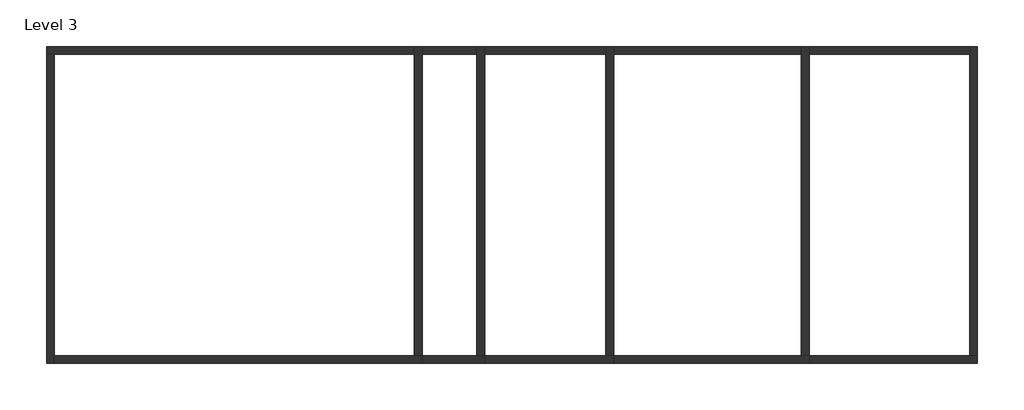
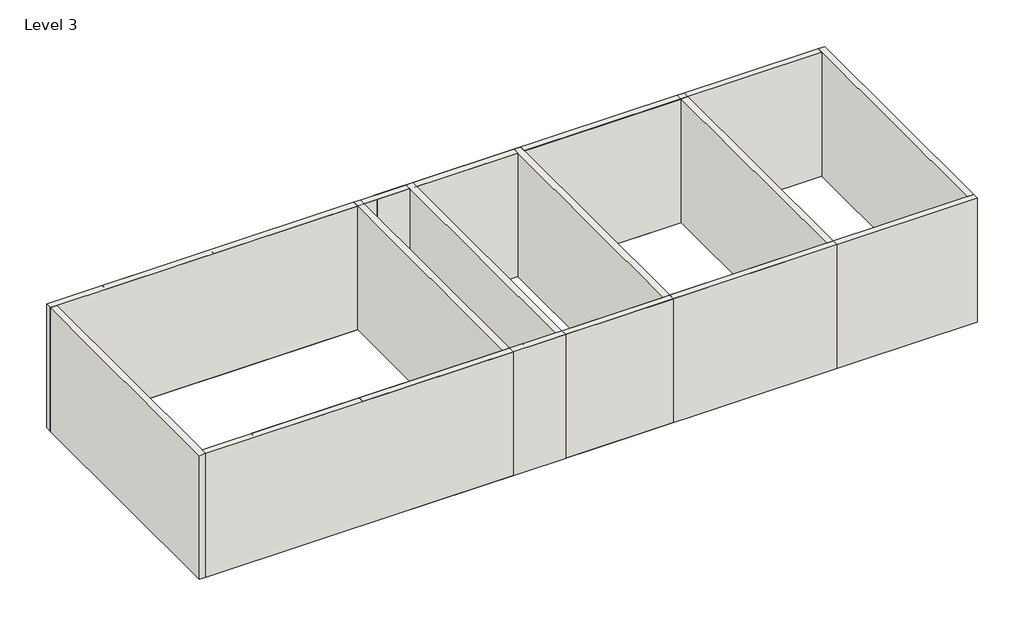
# One storey: 16 walls.
"""IFC4 building model written with IfcOpenShell, lengths in millimetres."""

from ifc_helpers import new_model, si_unit, frame, origin, place, context, project, spatial, polyline, outline, extrude, faceted_brep, element, save

model = new_model("IFC4")

# Units and contexts
model_context = context("Model", 3, world=origin())
ifc_project = project(units=[si_unit("LENGTHUNIT", "METRE", prefix="MILLI")], contexts=[model_context])

# Site, building, storey
site = spatial("IfcSite", under=ifc_project)
building = spatial("IfcBuilding", under=site)
storey = spatial("IfcBuildingStorey", under=building, Name="Level 3", Elevation=8000.0)

# Walls
placement = place(None, origin())
element("IfcWall", 1, ObjectType="Wall 1", at=placement, inside=storey, context=model_context, shape_type="Brep", body=[
    faceted_brep([(-4159.1188428, 6471.3818644, 8000.0), (-3959.1188428, 6471.3818644, 8000.0), (5240.8811572, 6471.3818644, 8000.0), (5240.8811572, 6471.3818644, 12000.0), (-3959.1188428, 6471.3818644, 12000.0), (-4159.1188428, 6471.3818644, 12000.0), (-4159.1188428, 6671.3818644, 8000.0), (-4159.1188428, 6671.3818644, 12000.0), (5240.8811572, 6671.3818644, 12000.0), (5240.8811572, 6671.3818644, 8000.0)], [[[0, 1, 2, 3, 4, 5]], [[6, 7, 8, 9]], [[2, 1, 0, 6, 9]], [[5, 4, 3, 8, 7]], [[0, 5, 7, 6]], [[3, 2, 9, 8]]]),
])
element("IfcWall", 2, ObjectType="Wall 1", at=placement, inside=storey, context=model_context, shape_type="Brep", body=[
    faceted_brep([(-3959.1188428, -1428.6181356, 8000.0), (-3959.1188428, -1228.6181356, 8000.0), (-3959.1188428, 6471.3818644, 8000.0), (-3959.1188428, 6471.3818644, 12000.0), (-3959.1188428, -1228.6181356, 12000.0), (-3959.1188428, -1428.6181356, 12000.0), (-4159.1188428, -1428.6181356, 8000.0), (-4159.1188428, -1428.6181356, 12000.0), (-4159.1188428, 6471.3818644, 12000.0), (-4159.1188428, 6471.3818644, 8000.0)], [[[0, 1, 2, 3, 4, 5]], [[6, 7, 8, 9]], [[2, 1, 0, 6, 9]], [[5, 4, 3, 8, 7]], [[0, 5, 7, 6]], [[3, 2, 9, 8]]]),
])
element("IfcWall", 3, ObjectType="Wall 1", at=placement, inside=storey, context=model_context, shape_type="Brep", body=[
    faceted_brep([(5440.8811572, -1228.6181356, 8000.0), (5240.8811572, -1228.6181356, 8000.0), (-3959.1188428, -1228.6181356, 8000.0), (-3959.1188428, -1228.6181356, 12000.0), (5240.8811572, -1228.6181356, 12000.0), (5440.8811572, -1228.6181356, 12000.0), (5440.8811572, -1428.6181356, 8000.0), (5440.8811572, -1428.6181356, 12000.0), (-3959.1188428, -1428.6181356, 12000.0), (-3959.1188428, -1428.6181356, 8000.0)], [[[0, 1, 2, 3, 4, 5]], [[6, 7, 8, 9]], [[2, 1, 0, 6, 9]], [[5, 4, 3, 8, 7]], [[0, 5, 7, 6]], [[3, 2, 9, 8]]]),
])
element("IfcWall", 4, ObjectType="Wall 1", at=placement, inside=storey, context=model_context, shape_type="Brep", body=[
    faceted_brep([(5240.8811572, 6671.3818644, 8000.0), (5240.8811572, 6471.3818644, 8000.0), (5240.8811572, -1228.6181356, 8000.0), (5240.8811572, -1228.6181356, 12000.0), (5240.8811572, 6471.3818644, 12000.0), (5240.8811572, 6671.3818644, 12000.0), (5440.8811572, 6671.3818644, 8000.0), (5440.8811572, 6671.3818644, 12000.0), (5440.8811572, -1228.6181356, 12000.0), (5440.8811572, -1228.6181356, 8000.0)], [[[0, 1, 2, 3, 4, 5]], [[6, 7, 8, 9]], [[2, 1, 0, 6, 9]], [[5, 4, 3, 8, 7]], [[0, 5, 7, 6]], [[3, 2, 9, 8]]]),
])
element("IfcWall", 5, ObjectType="Wall 1", at=placement, inside=storey, context=model_context, shape_type="SweptSolid", body=[
    extrude(outline(polyline([(6840.8811572, 6471.3818644), (-2459.1188428, 6471.3818644), (-2459.1188428, 6671.3818644), (6840.8811572, 6671.3818644), (6840.8811572, 6471.3818644)])), frame((0.0, 0.0, 8000.0), z_axis=(0.0, 0.0, 1.0), x_axis=(1.0, 0.0, 0.0)), (0.0, 0.0, 1.0), 4000.0),
])
element("IfcWall", 6, ObjectType="Wall 1", at=placement, inside=storey, context=model_context, shape_type="Brep", body=[
    faceted_brep([(7040.8811572, -1228.6181356, 8000.0), (6840.8811572, -1228.6181356, 8000.0), (-2459.1188428, -1228.6181356, 8000.0), (-2459.1188428, -1228.6181356, 12000.0), (6840.8811572, -1228.6181356, 12000.0), (7040.8811572, -1228.6181356, 12000.0), (7040.8811572, -1428.6181356, 8000.0), (7040.8811572, -1428.6181356, 12000.0), (-2459.1188428, -1428.6181356, 12000.0), (-2459.1188428, -1428.6181356, 8000.0)], [[[0, 1, 2, 3, 4, 5]], [[6, 7, 8, 9]], [[2, 1, 0, 6, 9]], [[3, 2, 9, 8]], [[5, 4, 3, 8, 7]], [[0, 5, 7, 6]]]),
])
element("IfcWall", 7, ObjectType="Wall 1", at=placement, inside=storey, context=model_context, shape_type="Brep", body=[
    faceted_brep([(6840.8811572, 6671.3818644, 8000.0), (6840.8811572, 6471.3818644, 8000.0), (6840.8811572, -1228.6181356, 8000.0), (6840.8811572, -1228.6181356, 12000.0), (6840.8811572, 6471.3818644, 12000.0), (6840.8811572, 6671.3818644, 12000.0), (7040.8811572, 6671.3818644, 8000.0), (7040.8811572, 6671.3818644, 12000.0), (7040.8811572, -1228.6181356, 12000.0), (7040.8811572, -1228.6181356, 8000.0)], [[[0, 1, 2, 3, 4, 5]], [[6, 7, 8, 9]], [[2, 1, 0, 6, 9]], [[5, 4, 3, 8, 7]], [[0, 5, 7, 6]], [[3, 2, 9, 8]]]),
])
element("IfcWall", 8, ObjectType="Wall 1", at=placement, inside=storey, context=model_context, shape_type="SweptSolid", body=[
    extrude(outline(polyline([(10140.8811572, 6471.3818644), (840.8811572, 6471.3818644), (840.8811572, 6671.3818644), (10140.8811572, 6671.3818644), (10140.8811572, 6471.3818644)])), frame((0.0, 0.0, 8000.0), z_axis=(0.0, 0.0, 1.0), x_axis=(1.0, 0.0, 0.0)), (0.0, 0.0, 1.0), 4000.0),
])
element("IfcWall", 9, ObjectType="Wall 1", at=placement, inside=storey, context=model_context, shape_type="Brep", body=[
    faceted_brep([(10340.8811572, -1228.6181356, 8000.0), (10140.8811572, -1228.6181356, 8000.0), (840.8811572, -1228.6181356, 8000.0), (840.8811572, -1228.6181356, 12000.0), (10140.8811572, -1228.6181356, 12000.0), (10340.8811572, -1228.6181356, 12000.0), (10340.8811572, -1428.6181356, 8000.0), (10340.8811572, -1428.6181356, 12000.0), (840.8811572, -1428.6181356, 12000.0), (840.8811572, -1428.6181356, 8000.0)], [[[0, 1, 2, 3, 4, 5]], [[6, 7, 8, 9]], [[2, 1, 0, 6, 9]], [[3, 2, 9, 8]], [[5, 4, 3, 8, 7]], [[0, 5, 7, 6]]]),
])
element("IfcWall", 10, ObjectType="Wall 1", at=placement, inside=storey, context=model_context, shape_type="Brep", body=[
    faceted_brep([(10140.8811572, 6671.3818644, 8000.0), (10140.8811572, 6471.3818644, 8000.0), (10140.8811572, -1228.6181356, 8000.0), (10140.8811572, -1228.6181356, 12000.0), (10140.8811572, 6471.3818644, 12000.0), (10140.8811572, 6671.3818644, 12000.0), (10340.8811572, 6671.3818644, 8000.0), (10340.8811572, 6671.3818644, 12000.0), (10340.8811572, 6471.3818644, 12000.0), (10340.8811572, -1228.6181356, 12000.0), (10340.8811572, -1228.6181356, 8000.0), (10340.8811572, 6471.3818644, 8000.0)], [[[0, 1, 2, 3, 4, 5]], [[6, 7, 8, 9, 10, 11]], [[2, 1, 0, 6, 11, 10]], [[5, 4, 3, 9, 8, 7]], [[0, 5, 7, 6]], [[3, 2, 10, 9]]]),
])
element("IfcWall", 11, ObjectType="Wall 1", at=placement, inside=storey, context=model_context, shape_type="SweptSolid", body=[
    extrude(outline(polyline([(15140.8811572, 6471.3818644), (5840.8811572, 6471.3818644), (5840.8811572, 6671.3818644), (15140.8811572, 6671.3818644), (15140.8811572, 6471.3818644)])), frame((0.0, 0.0, 8000.0), z_axis=(0.0, 0.0, 1.0), x_axis=(1.0, 0.0, 0.0)), (0.0, 0.0, 1.0), 4000.0),
])
element("IfcWall", 12, ObjectType="Wall 1", at=placement, inside=storey, context=model_context, shape_type="Brep", body=[
    faceted_brep([(15340.8811572, -1228.6181356, 8000.0), (15140.8811572, -1228.6181356, 8000.0), (5840.8811572, -1228.6181356, 8000.0), (5840.8811572, -1228.6181356, 12000.0), (15140.8811572, -1228.6181356, 12000.0), (15340.8811572, -1228.6181356, 12000.0), (15340.8811572, -1428.6181356, 8000.0), (15340.8811572, -1428.6181356, 12000.0), (5840.8811572, -1428.6181356, 12000.0), (5840.8811572, -1428.6181356, 8000.0)], [[[0, 1, 2, 3, 4, 5]], [[6, 7, 8, 9]], [[2, 1, 0, 6, 9]], [[3, 2, 9, 8]], [[5, 4, 3, 8, 7]], [[0, 5, 7, 6]]]),
])
element("IfcWall", 13, ObjectType="Wall 1", at=placement, inside=storey, context=model_context, shape_type="Brep", body=[
    faceted_brep([(15140.8811572, 6671.3818644, 8000.0), (15140.8811572, 6471.3818644, 8000.0), (15140.8811572, -1228.6181356, 8000.0), (15140.8811572, -1228.6181356, 12000.0), (15140.8811572, 6471.3818644, 12000.0), (15140.8811572, 6671.3818644, 12000.0), (15340.8811572, 6671.3818644, 8000.0), (15340.8811572, 6671.3818644, 12000.0), (15340.8811572, -1228.6181356, 12000.0), (15340.8811572, -1228.6181356, 8000.0)], [[[0, 1, 2, 3, 4, 5]], [[6, 7, 8, 9]], [[2, 1, 0, 6, 9]], [[5, 4, 3, 8, 7]], [[0, 5, 7, 6]], [[3, 2, 9, 8]]]),
])
element("IfcWall", 14, ObjectType="Wall 1", at=placement, inside=storey, context=model_context, shape_type="SweptSolid", body=[
    extrude(outline(polyline([(19440.8811572, 6471.3818644), (10340.8811572, 6471.3818644), (10340.8811572, 6671.3818644), (19440.8811572, 6671.3818644), (19440.8811572, 6471.3818644)])), frame((0.0, 0.0, 8000.0), z_axis=(0.0, 0.0, 1.0), x_axis=(1.0, 0.0, 0.0)), (0.0, 0.0, 1.0), 4000.0),
])
element("IfcWall", 15, ObjectType="Wall 1", at=placement, inside=storey, context=model_context, shape_type="Brep", body=[
    faceted_brep([(19640.8811572, -1228.6181356, 8000.0), (19440.8811572, -1228.6181356, 8000.0), (10340.8811572, -1228.6181356, 8000.0), (10340.8811572, -1228.6181356, 12000.0), (19440.8811572, -1228.6181356, 12000.0), (19640.8811572, -1228.6181356, 12000.0), (19640.8811572, -1428.6181356, 8000.0), (19640.8811572, -1428.6181356, 12000.0), (10340.8811572, -1428.6181356, 12000.0), (10340.8811572, -1428.6181356, 8000.0)], [[[0, 1, 2, 3, 4, 5]], [[6, 7, 8, 9]], [[2, 1, 0, 6, 9]], [[5, 4, 3, 8, 7]], [[0, 5, 7, 6]], [[3, 2, 9, 8]]]),
])
element("IfcWall", 16, ObjectType="Wall 1", at=placement, inside=storey, context=model_context, shape_type="Brep", body=[
    faceted_brep([(19440.8811572, 6671.3818644, 8000.0), (19440.8811572, 6471.3818644, 8000.0), (19440.8811572, -1228.6181356, 8000.0), (19440.8811572, -1228.6181356, 12000.0), (19440.8811572, 6471.3818644, 12000.0), (19440.8811572, 6671.3818644, 12000.0), (19640.8811572, 6671.3818644, 8000.0), (19640.8811572, 6671.3818644, 12000.0), (19640.8811572, -1228.6181356, 12000.0), (19640.8811572, -1228.6181356, 8000.0)], [[[0, 1, 2, 3, 4, 5]], [[6, 7, 8, 9]], [[2, 1, 0, 6, 9]], [[5, 4, 3, 8, 7]], [[0, 5, 7, 6]], [[3, 2, 9, 8]]]),
])

save(model, "model.ifc")
